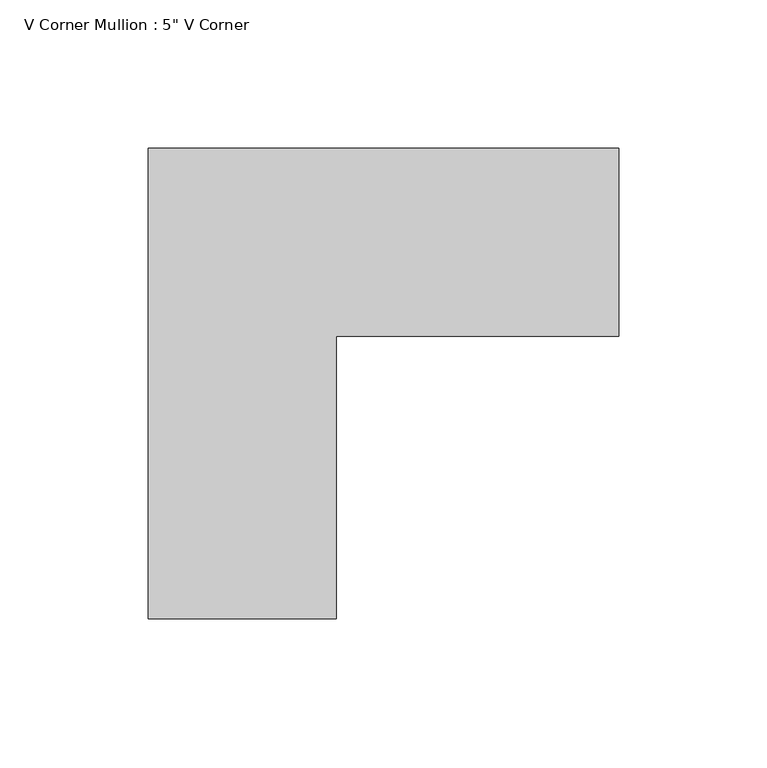
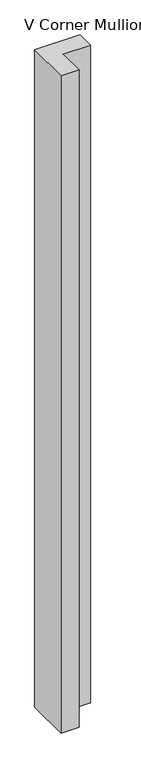
"""IFC4 building model written with IfcOpenShell, lengths in millimetres: member geometry."""

from ifc_helpers import new_model, si_unit, frame, origin, place, context, project, spatial, polyline, outline, extrude, source, transform, mapped, element, save


def member_ea83204a(model_context):
    return source(origin(), model_context, "Body", "SweptSolid", [
        extrude(outline(polyline([(63.5, 31.75), (-31.75, 31.75), (-31.75, -63.5), (-95.25, -63.5), (-95.25, 95.25), (63.5, 95.25), (63.5, 31.75)])), frame((0.0, 0.0, -2438.4), z_axis=(0.0, 0.0, 1.0), x_axis=(1.0, 0.0, 0.0)), (0.0, 0.0, 1.0), 2438.4),
    ])


if __name__ == "__main__":
    model = new_model("IFC4")
    model_context = context("Model", 3, world=origin())
    ifc_project = project(units=[si_unit("LENGTHUNIT", "METRE", prefix="MILLI")], contexts=[model_context])
    site = spatial("IfcSite", under=ifc_project)
    building = spatial("IfcBuilding", under=site)
    placement = place(None, origin())
    member_shape = member_ea83204a(model_context)
    element("IfcMember", 1, ObjectType="V Corner Mullion : 5\" V Corner", at=placement, inside=building, context=model_context, shape_type="MappedRepresentation", body=[
        mapped(member_shape, transform((0.0, 0.0, 0.0), x_axis=(1.0, 0.0, 0.0), y_axis=(0.0, 1.0, 0.0), z_axis=(0.0, 0.0, 1.0))),
    ])
    save(model, "model.ifc")
